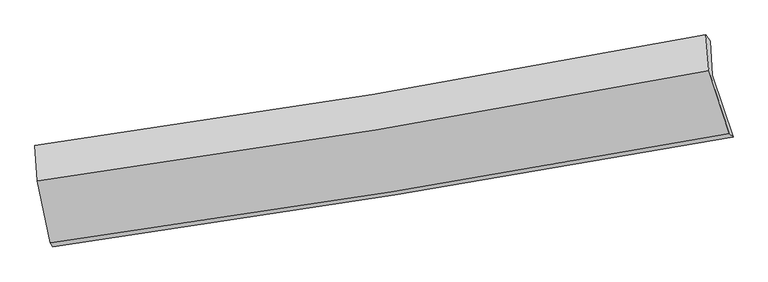
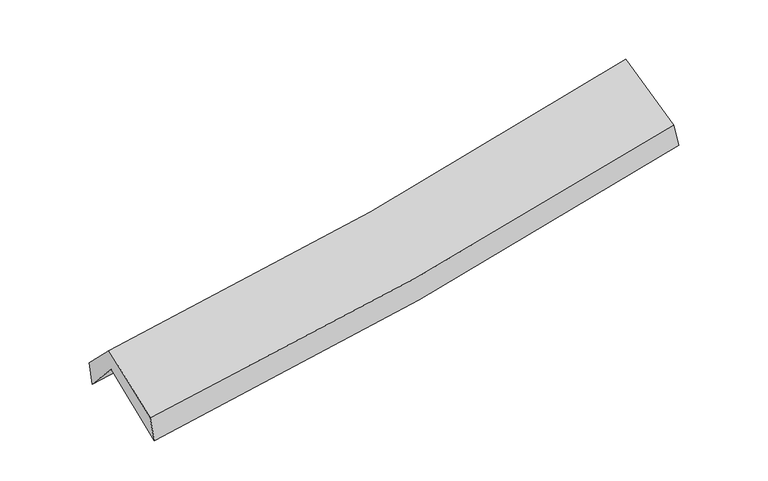
"""IFC4 building model written with IfcOpenShell, lengths in millimetres: proxy geometry."""

from ifc_helpers import new_model, si_unit, frame, origin, place, context, project, spatial, source, transform, mapped, element, save
from ifc_brep_helpers import plane_surface, spline_curve, spline_surface, advanced_brep


def generic_models_4c814b27(model_context):
    return source(origin(), model_context, "Body", "AdvancedBrep", [
        advanced_brep(
        [(-2514.8165202, -2489.8019845, 1469.1880543), (-2617.2860383, -1994.7369258, 1887.2748291), (2541.1664553, -1171.4480202, 2383.1692972), (2700.061322, -1645.2386354, 1948.8010944), (-2634.8629881, -1723.7251951, 1588.1905897), (2525.9454361, -908.7678794, 2068.3938539), (-2651.4920408, -1711.6685183, 1792.0993409), (2492.0097157, -861.0948118, 2248.9350949), (-2632.0230751, -1981.6390129, 2063.1752027), (2514.675552, -1134.1061099, 2523.8945272), (-2534.7895268, -2457.1457958, 1677.8860558), (2670.3289168, -1617.4237679, 2129.865243)],
        [
            (0, 1),
            (1, 2, spline_curve(3, [(-2617.2860383, -1994.7369258, 1887.2748291), (-1750.635957281, -1875.218745412, 1939.974268078), (-886.827063173, -1746.740952544, 2007.729403847), (832.640839186, -1472.26003496, 2173.113734895), (1688.316109478, -1326.30819256, 2270.656755186), (2541.1664553, -1171.4480202, 2383.1692972)], [4, 2, 4], [0.0, 8.669476122383106, 17.31410573426019])),
            (2, 3),
            (3, 0, spline_curve(3, [(2700.061322, -1645.2386354, 1948.8010944), (1837.993767507, -1800.564768856, 1831.129801949), (973.014652872, -1948.517712155, 1732.356599604), (-765.261200104, -2230.081273458, 1572.376795674), (-1638.574699565, -2363.649446763, 1511.278984787), (-2514.8165202, -2489.8019845, 1469.1880543)], [4, 2, 4], [0.0, 8.644629611877082, 17.31410573426019])),
            (1, 4),
            (4, 5, spline_curve(3, [(-2634.8629881, -1723.7251951, 1588.1905897), (-1766.991634921, -1609.112460081, 1633.924625819), (-902.376089208, -1483.780163747, 1696.890701887), (817.874750071, -1212.066369213, 1857.057088436), (1673.528679199, -1065.746227066, 1954.158767027), (2525.9454361, -908.7678794, 2068.3938539)], [4, 2, 4], [0.0, 8.6220561813716, 17.219401756650072])),
            (5, 2),
            (4, 6),
            (6, 7, spline_curve(3, [(-2651.4920408, -1711.6685183, 1792.0993409), (-1786.033855294, -1593.129565294, 1835.039709935), (-924.069526959, -1462.8604198, 1894.658071665), (790.411060789, -1179.268710295, 2047.032117014), (1642.947317691, -1026.013287031, 2139.692339943), (2492.0097157, -861.0948118, 2248.9350949)], [4, 2, 4], [0.0, 8.610973888412126, 17.197268932316778])),
            (7, 5),
            (6, 8),
            (8, 9, spline_curve(3, [(-2632.0230751, -1981.6390129, 2063.1752027), (-1766.123972307, -1862.451694225, 2105.56984766), (-903.672330271, -1732.112959022, 2165.240299455), (811.874146303, -1449.538163756, 2318.912289815), (1664.988713359, -1297.36593111, 2412.814946385), (2514.675552, -1134.1061099, 2523.8945272)], [4, 2, 4], [0.0, 8.602504659655732, 17.18035474741035])),
            (9, 7),
            (8, 10),
            (10, 11, spline_curve(3, [(-2534.7895268, -2457.1457958, 1677.8860558), (-1659.77183009, -2338.126158307, 1719.749093101), (-787.885133602, -2208.523919397, 1778.423685731), (947.136426625, -1928.556004991, 1929.179639781), (1810.289211321, -1778.250901211, 2021.16477632), (2670.3289168, -1617.4237679, 2129.865243)], [4, 2, 4], [0.0, 8.650380163749572, 17.275968545552274])),
            (11, 9),
            (10, 0),
            (3, 11),
        ],
        [
            spline_surface(3, 3, [[(-2514.8165202, -2489.8019845, 1469.1880543), (-1638.574699549, -2363.649446819, 1511.278984914), (-765.261200178, -2230.081273553, 1572.376795758), (973.014652946, -1948.51771206, 1732.35659952), (1837.993767638, -1800.564768899, 1831.129802063), (2700.061322, -1645.2386354, 1948.8010944)], [(-2548.97302624, -2324.780298277, 1608.550312545), (-1675.92845218, -2200.839212992, 1654.177412651), (-805.783154523, -2068.967833236, 1717.494331814), (926.223381668, -1789.765153019, 1879.275644623), (1788.101214898, -1642.479243398, 1977.638786405), (2647.096366427, -1487.308430325, 2093.590495323)], [(-2583.12953226, -2159.758612023, 1747.912570855), (-1713.282204789, -2038.028979135, 1797.075840453), (-846.305108812, -1907.854392901, 1862.611867864), (879.432110448, -1631.012593961, 2026.194689719), (1738.208662177, -1484.393717923, 2124.14777078), (2594.131410873, -1329.378225275, 2238.379896277)], [(-2617.2860383, -1994.7369258, 1887.2748291), (-1750.635957419, -1875.218745308, 1939.97426819), (-886.827063157, -1746.740952584, 2007.729403921), (832.64083917, -1472.26003492, 2173.113734821), (1688.316109437, -1326.308192422, 2270.656755122), (2541.1664553, -1171.4480202, 2383.1692972)]], [4, 4], [4, 2, 4], [0.0, 2.174402786335324], [0.0, 8.669476122383106, 17.31410573426019]),
            spline_surface(3, 3, [[(-2617.2860383, -1994.7369258, 1887.2748291), (-1750.635957419, -1875.218745308, 1939.97426819), (-886.827063157, -1746.740952584, 2007.729403921), (832.64083917, -1472.26003492, 2173.113734821), (1688.316109437, -1326.308192422, 2270.656755122), (2541.1664553, -1171.4480202, 2383.1692972)], [(-2623.145021572, -1904.399682233, 1787.580082662), (-1756.087849892, -1786.516650269, 1837.957720748), (-892.010071852, -1659.087356316, 1904.116503272), (827.718809476, -1385.528813035, 2067.761519344), (1683.386966026, -1239.454203977, 2165.157425752), (2536.092782213, -1083.887973269, 2278.24414946)], [(-2629.004004828, -1814.062438667, 1687.885336138), (-1761.53974235, -1697.814555231, 1735.94117322), (-897.193080538, -1571.433760005, 1800.503602602), (822.79677979, -1298.797591107, 1962.409303848), (1678.457822676, -1152.600215525, 2059.658096301), (2531.019109187, -996.327926331, 2173.31900164)], [(-2634.8629881, -1723.7251951, 1588.1905897), (-1766.991634823, -1609.112460191, 1633.924625778), (-902.376089233, -1483.780163738, 1696.890701953), (817.874750096, -1212.066369222, 1857.057088371), (1673.528679265, -1065.74622708, 1954.158766931), (2525.9454361, -908.7678794, 2068.3938539)]], [4, 4], [4, 2, 4], [0.0, 1.3403315432613379], [0.0, 8.6220561813716, 17.219401756650072]),
            spline_surface(3, 3, [[(-2634.8629881, -1723.7251951, 1588.1905897), (-1766.991634823, -1609.112460191, 1633.924625778), (-902.376089233, -1483.780163738, 1696.890701953), (817.874750096, -1212.066369222, 1857.057088371), (1673.528679265, -1065.74622708, 1954.158766931), (2525.9454361, -908.7678794, 2068.3938539)], [(-2640.406005671, -1719.706302821, 1656.160173412), (-1773.339041688, -1603.784828551, 1700.962987182), (-909.607235104, -1476.806915733, 1762.813158568), (808.72018698, -1201.133816261, 1920.382097897), (1663.334892086, -1052.501913724, 2016.003291232), (2514.633529322, -892.87685684, 2128.574267568)], [(-2645.949023229, -1715.687410579, 1724.129757188), (-1779.68644854, -1598.457196948, 1768.001348651), (-916.83838101, -1469.833667744, 1828.735615149), (799.565623828, -1190.201263316, 1983.707107389), (1653.141104839, -1039.257600446, 2077.847815529), (2503.321622478, -876.98583436, 2188.754681232)], [(-2651.4920408, -1711.6685183, 1792.0993409), (-1786.033855405, -1593.129565307, 1835.039710055), (-924.069526881, -1462.860419739, 1894.658071764), (790.411060712, -1179.268710356, 2047.032116915), (1642.947317659, -1026.013287089, 2139.69233983), (2492.0097157, -861.0948118, 2248.9350949)]], [4, 4], [4, 2, 4], [0.0, 0.6472037801351255], [0.0, 8.610973888412126, 17.197268932316778]),
            spline_surface(3, 3, [[(-2651.4920408, -1711.6685183, 1792.0993409), (-1786.033855405, -1593.129565307, 1835.039710055), (-924.069526881, -1462.860419739, 1894.658071764), (790.411060712, -1179.268710356, 2047.032116915), (1642.947317659, -1026.013287089, 2139.69233983), (2492.0097157, -861.0948118, 2248.9350949)], [(-2645.002385573, -1801.658683173, 1882.457961521), (-1779.397227694, -1682.903608268, 1925.216422637), (-917.270461371, -1552.611266181, 1984.852147643), (797.565422581, -1269.358528111, 2137.658841193), (1650.294449569, -1116.464168421, 2230.733208631), (2499.564994446, -952.098577849, 2340.588238985)], [(-2638.512730327, -1891.648848027, 1972.816582079), (-1772.760599963, -1772.677651209, 2015.393135156), (-910.471395828, -1642.362112669, 2075.046223583), (804.719784482, -1359.448345912, 2228.285565531), (1657.641581542, -1206.915049706, 2321.774077477), (2507.120273254, -1043.102343851, 2432.241383115)], [(-2632.0230751, -1981.6390129, 2063.1752027), (-1766.123972251, -1862.451694169, 2105.569847737), (-903.672330318, -1732.112959111, 2165.240299462), (811.874146351, -1449.538163667, 2318.912289809), (1664.988713452, -1297.365931038, 2412.814946279), (2514.675552, -1134.1061099, 2523.8945272)]], [4, 4], [4, 2, 4], [0.0, 1.256923856694375], [0.0, 8.602504659655732, 17.18035474741035]),
            spline_surface(3, 3, [[(-2632.0230751, -1981.6390129, 2063.1752027), (-1766.123972251, -1862.451694169, 2105.569847737), (-903.672330318, -1732.112959111, 2165.240299462), (811.874146351, -1449.538163667, 2318.912289809), (1664.988713452, -1297.365931038, 2412.814946279), (2514.675552, -1134.1061099, 2523.8945272)], [(-2599.61189232, -2140.141273892, 1934.745487046), (-1730.673258222, -2021.009848941, 1976.962929527), (-865.076598072, -1890.916612586, 2036.301428225), (856.961573096, -1609.210777392, 2189.001406462), (1713.4222127, -1457.660921064, 2282.2648896), (2566.560006938, -1295.211995898, 2392.551432471)], [(-2567.20070958, -2298.643534808, 1806.315771454), (-1695.222544233, -2179.568003637, 1848.356011378), (-826.480865818, -2049.720266066, 1907.362556984), (902.048999849, -1768.883391123, 2059.090523111), (1761.855711934, -1617.955911094, 2151.714832909), (2618.444461862, -1456.317881902, 2261.208337729)], [(-2534.7895268, -2457.1457958, 1677.8860558), (-1659.771830204, -2338.126158409, 1719.749093167), (-787.885133572, -2208.52391954, 1778.423685747), (947.136426595, -1928.556004849, 1929.179639765), (1810.289211181, -1778.250901119, 2021.16477623), (2670.3289168, -1617.4237679, 2129.865243)]], [4, 4], [4, 2, 4], [0.0, 2.0612210930074726], [0.0, 8.650380163749572, 17.275968545552274]),
            spline_surface(3, 3, [[(-2534.7895268, -2457.1457958, 1677.8860558), (-1659.771830204, -2338.126158409, 1719.749093167), (-787.885133572, -2208.52391954, 1778.423685747), (947.136426595, -1928.556004849, 1929.179639765), (1810.289211181, -1778.250901119, 2021.16477623), (2670.3289168, -1617.4237679, 2129.865243)], [(-2528.131857923, -2468.031192004, 1608.320055314), (-1652.706119976, -2346.633921183, 1650.259057096), (-780.343822417, -2215.709704213, 1709.741389083), (955.762502069, -1935.209907255, 1863.571959682), (1819.524063354, -1785.688857064, 1957.819784834), (2680.239718554, -1626.695390418, 2069.510526793)], [(-2521.474189077, -2478.916588296, 1538.754054786), (-1645.640409777, -2355.141684045, 1580.769020984), (-772.802511333, -2222.89548888, 1641.059092422), (964.388577472, -1941.863809654, 1797.964279603), (1828.758915465, -1793.126812955, 1894.474793458), (2690.150520246, -1635.967012882, 2009.155810607)], [(-2514.8165202, -2489.8019845, 1469.1880543), (-1638.574699549, -2363.649446819, 1511.278984914), (-765.261200178, -2230.081273553, 1572.376795758), (973.014652946, -1948.51771206, 1732.35659952), (1837.993767638, -1800.564768899, 1831.129802063), (2700.061322, -1645.2386354, 1948.8010944)]], [4, 4], [4, 2, 4], [0.0, 0.6691651992515131], [0.0, 8.706339156073168, 17.38772615307044]),
            plane_surface(frame((2574.031233, -1223.0132041, 2217.1765184), z_axis=(0.9696952295890793, 0.208601083810391, 0.12718785140615108), x_axis=(0.24218087804253588, -0.7519933470549619, -0.6130696765422525))),
            plane_surface(frame((-2597.5450316, -2059.7862387, 1746.3023454), z_axis=(-0.9870292976902587, -0.14348436077623924, -0.07200974735206932), x_axis=(-0.09413252741772726, 0.15390820355226492, 0.983591039081419))),
        ],
        [
            (0, [[1, 2, 3, 4]]),
            (1, [[5, 6, 7, -2]]),
            (2, [[8, 9, 10, -6]]),
            (3, [[11, 12, 13, -9]]),
            (4, [[14, 15, 16, -12]]),
            (5, [[17, -4, 18, -15]]),
            (6, [[-16, -18, -3, -7, -10, -13]]),
            (7, [[-17, -14, -11, -8, -5, -1]]),
        ],
    ),
    ])


if __name__ == "__main__":
    model = new_model("IFC4")
    model_context = context("Model", 3, world=origin())
    ifc_project = project(units=[si_unit("LENGTHUNIT", "METRE", prefix="MILLI")], contexts=[model_context])
    site = spatial("IfcSite", under=ifc_project)
    building = spatial("IfcBuilding", under=site)
    placement = place(None, origin())
    generic_models_shape = generic_models_4c814b27(model_context)
    element("IfcBuildingElementProxy", 1, Name="Generic Models", at=placement, inside=building, context=model_context, shape_type="MappedRepresentation", body=[
        mapped(generic_models_shape, transform((0.0, 0.0, 0.0), x_axis=(1.0, 0.0, 0.0), y_axis=(0.0, 1.0, 0.0), z_axis=(0.0, 0.0, 1.0))),
    ])
    save(model, "model.ifc")
